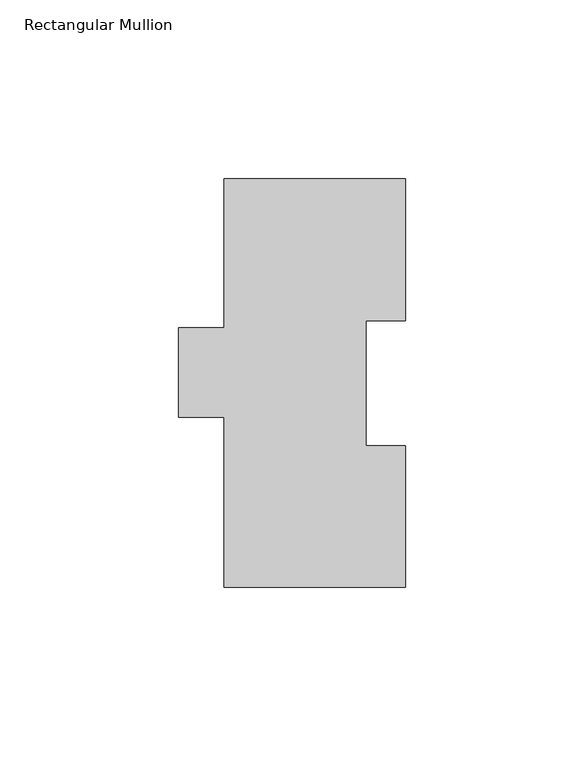
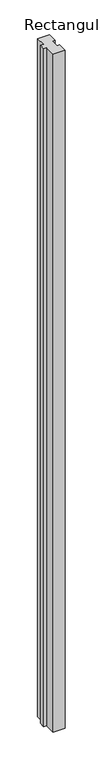
"""IFC4 building model written with IfcOpenShell, lengths in millimetres: member geometry, Rectangular Mullion."""

from ifc_helpers import new_model, si_unit, frame, origin, place, context, project, spatial, polyline, outline, extrude, source, transform, mapped, element, save


def rectangular_mullion_4de7c054(model_context):
    return source(origin(), model_context, "Body", "SweptSolid", [
        extrude(outline(polyline([(25.4, 114.271425), (25.4, 74.596625), (14.2875, 74.596625), (14.2875, 39.646225), (25.4, 39.646225), (25.4, -0.028575), (-25.4, -0.028575), (-25.4, 47.596425), (-38.1, 47.596425), (-38.1, 72.564625), (-25.4, 72.564625), (-25.4, 114.271425), (25.4, 114.271425)])), frame((0.0, 0.0, -3048.0), z_axis=(0.0, 0.0, 1.0), x_axis=(1.0, 0.0, 0.0)), (0.0, 0.0, 1.0), 3048.0),
    ])


if __name__ == "__main__":
    model = new_model("IFC4")
    model_context = context("Model", 3, world=origin())
    ifc_project = project(units=[si_unit("LENGTHUNIT", "METRE", prefix="MILLI")], contexts=[model_context])
    site = spatial("IfcSite", under=ifc_project)
    building = spatial("IfcBuilding", under=site)
    placement = place(None, origin())
    rectangular_mullion_shape = rectangular_mullion_4de7c054(model_context)
    element("IfcMember", 1, ObjectType="Rectangular Mullion", at=placement, inside=building, context=model_context, shape_type="MappedRepresentation", body=[
        mapped(rectangular_mullion_shape, transform((0.0, 0.0, 0.0), x_axis=(1.0, 0.0, 0.0), y_axis=(0.0, 1.0, 0.0), z_axis=(0.0, 0.0, 1.0))),
    ])
    save(model, "model.ifc")
